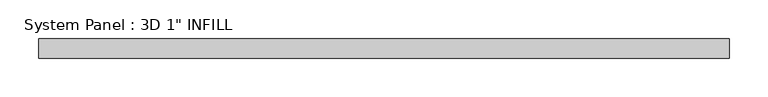
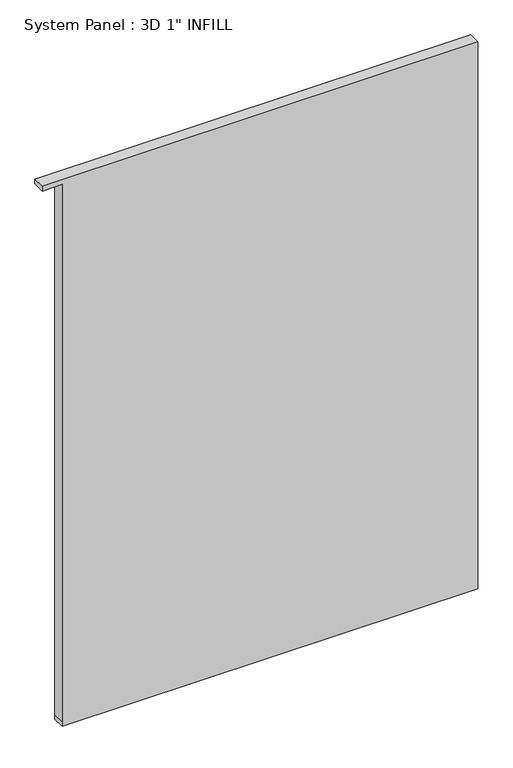
"""IFC4 building model written with IfcOpenShell, lengths in millimetres: plate geometry."""

import ifcopenshell
import ifcopenshell.guid

model = None  # the IFC model being written
_history = None  # IfcOwnerHistory: only IFC2X3 demands one
_inside = {}  # id of a spatial element -> (the spatial element, [elements in it])
_under = {}  # id of a project, library or spatial element -> (it, [spatial elements below it])
_declared = {}  # id of a project -> (the project, [libraries it declares])
_typed = {}  # id of a type object -> (the type object, [elements of that type])
_made_of = {}  # id of a material, layer set ... -> (it, [elements and type objects made of it])


def new_model(schema):
    """Start an empty IFC model of exactly this schema.

    Asked for "IFC4X3", IfcOpenShell would pick the latest addendum, in which some entities
    have other attributes; the version numbers below select the first issue.
    IFC2X3 requires an IfcOwnerHistory on every rooted entity: one is made here for all.
    """
    global model, _history
    if schema == "IFC4X3":
        model = ifcopenshell.file(schema_version=(4, 3, 0, 0))
    else:
        model = ifcopenshell.file(schema=schema)
    _inside.clear()
    _under.clear()
    _declared.clear()
    _typed.clear()
    _made_of.clear()
    _history = None
    if model.schema == "IFC2X3":
        org = make("IfcOrganization", Name="unknown")
        user = make(
            "IfcPersonAndOrganization",
            ThePerson=make("IfcPerson", FamilyName="unknown"),
            TheOrganization=org,
        )
        app = make(
            "IfcApplication",
            ApplicationDeveloper=org,
            Version="unknown",
            ApplicationFullName="unknown",
            ApplicationIdentifier="unknown",
        )
        _history = make(
            "IfcOwnerHistory",
            OwningUser=user,
            OwningApplication=app,
            ChangeAction="ADDED",
            CreationDate=0,
        )
    return model


def make(cls, **values):
    """One entity of the class cls with the attributes given. An attribute that is None is left unset."""
    return model.create_entity(
        cls, **{name: value for name, value in values.items() if value is not None}
    )


def rooted(cls, **values):
    """An entity with a GlobalId (a new one), such as an element, a storey or a relation."""
    return make(cls, GlobalId=ifcopenshell.guid.new(), OwnerHistory=_history, **values)


def si_unit(unit_type, name, prefix=None):
    """IfcSIUnit, for example si_unit("LENGTHUNIT", "METRE", prefix="MILLI")."""
    return make("IfcSIUnit", UnitType=unit_type, Prefix=prefix, Name=name)


def assignment(units):
    """IfcUnitAssignment: the units of a project."""
    return None if units is None else make("IfcUnitAssignment", Units=units)


def point(xyz):
    """IfcCartesianPoint."""
    return None if xyz is None else make("IfcCartesianPoint", Coordinates=xyz)


def direction(xyz):
    """IfcDirection."""
    return None if xyz is None else make("IfcDirection", DirectionRatios=xyz)


def frame(location, z_axis=None, x_axis=None):
    """IfcAxis2Placement3D, a coordinate frame: its origin and axes. An axis left out is left unset."""
    return make(
        "IfcAxis2Placement3D",
        Location=point(location),
        Axis=direction(z_axis),
        RefDirection=direction(x_axis),
    )


def origin():
    """The frame at (0, 0, 0) with its axes left unset."""
    return frame((0.0, 0.0, 0.0))


def place(relative_to, where):
    """IfcLocalPlacement: puts the frame where relative to a parent placement (None: the world)."""
    return make(
        "IfcLocalPlacement", PlacementRelTo=relative_to, RelativePlacement=where
    )


def context(
    kind, dimensions, precision=None, world=None, true_north=None, identifier=None
):
    """IfcGeometricRepresentationContext, for example the 3D "Model" context."""
    return make(
        "IfcGeometricRepresentationContext",
        ContextIdentifier=identifier,
        ContextType=kind,
        CoordinateSpaceDimension=dimensions,
        Precision=precision,
        WorldCoordinateSystem=world,
        TrueNorth=true_north,
    )


def project(units=None, contexts=None):
    """IfcProject with its units and contexts."""
    return rooted(
        "IfcProject",
        Name="project",
        RepresentationContexts=contexts,
        UnitsInContext=assignment(units),
    )


def spatial(cls, under=None, at=None, **own):
    """A site, building, storey or space (cls), placed at a placement, below another one or the project."""
    s = rooted(cls, ObjectPlacement=at, **own)
    if under is not None:
        _under.setdefault(under.id(), (under, []))[1].append(s)
    return s


def polyline(points):
    """IfcPolyline through the points."""
    return make("IfcPolyline", Points=[point(p) for p in points])


def outline(outer, holes=None, kind="AREA"):
    """IfcArbitraryClosedProfileDef: a profile drawn as a closed curve; with holes, ...WithVoids."""
    if holes is None:
        return make("IfcArbitraryClosedProfileDef", ProfileType=kind, OuterCurve=outer)
    return make(
        "IfcArbitraryProfileDefWithVoids",
        ProfileType=kind,
        OuterCurve=outer,
        InnerCurves=holes,
    )


def extrude(swept, where, along, depth):
    """IfcExtrudedAreaSolid: the profile swept, set in the frame where, extruded along a direction by depth."""
    return make(
        "IfcExtrudedAreaSolid",
        SweptArea=swept,
        Position=where,
        ExtrudedDirection=direction(along),
        Depth=depth,
    )


def shape(context_of_items, identifier, shape_type, items):
    """IfcShapeRepresentation: the items that make up one representation, for example the "Body"."""
    return make(
        "IfcShapeRepresentation",
        ContextOfItems=context_of_items,
        RepresentationIdentifier=identifier,
        RepresentationType=shape_type,
        Items=items,
    )


def source(mapping_origin, context_of_items, identifier, shape_type, items):
    """IfcRepresentationMap: a shape defined once, which mapped items show again and again."""
    return make(
        "IfcRepresentationMap",
        MappingOrigin=mapping_origin,
        MappedRepresentation=shape(context_of_items, identifier, shape_type, items),
    )


def transform(
    local_origin,
    x_axis=None,
    y_axis=None,
    z_axis=None,
    scale=None,
    scale2=None,
    scale3=None,
    uniform=True,
):
    """IfcCartesianTransformationOperator3D, or its non-uniform kind. x_axis, y_axis, z_axis: its Axis1, 2, 3."""
    if uniform:
        return make(
            "IfcCartesianTransformationOperator3D",
            Axis1=direction(x_axis),
            Axis2=direction(y_axis),
            LocalOrigin=point(local_origin),
            Scale=scale,
            Axis3=direction(z_axis),
        )
    return make(
        "IfcCartesianTransformationOperator3DnonUniform",
        Axis1=direction(x_axis),
        Axis2=direction(y_axis),
        LocalOrigin=point(local_origin),
        Scale=scale,
        Axis3=direction(z_axis),
        Scale2=scale2,
        Scale3=scale3,
    )


def mapped(mapping_source, mapping_target):
    """IfcMappedItem: shows the shape of a source again, moved by a transform."""
    return make(
        "IfcMappedItem", MappingSource=mapping_source, MappingTarget=mapping_target
    )


def made_of(thing, what):
    """Note that an element or type object is made of a material, layer set ...; save() writes the relation."""
    if what is not None:
        _made_of.setdefault(what.id(), (what, []))[1].append(thing)
    return thing


def element(
    cls,
    number,
    at=None,
    inside=None,
    cuts=None,
    type_object=None,
    material=None,
    context=None,
    identifier="Body",
    shape_type=None,
    held_by="IfcProductDefinitionShape",
    body=None,
    shapes=None,
    **own,
):
    """One element of the class cls, such as IfcWall. Its Tag is "e" and its number.

    at: its placement. inside: the storey or other place that contains it. cuts: it is an
    opening in that element (IfcRelVoidsElement). A single representation is given by context,
    identifier, shape_type and body (its items); several are given by shapes. held_by: the class
    of the entity that holds the representations. save() writes the other relations.
    """
    e = rooted(cls, Tag="e%d" % number, ObjectPlacement=at, **own)
    if body is not None:
        shapes = [shape(context, identifier, shape_type, body)]
    if shapes is not None:
        e.Representation = make(held_by, Representations=shapes)
    if inside is not None:
        _inside.setdefault(inside.id(), (inside, []))[1].append(e)
    if cuts is not None:
        rooted(
            "IfcRelVoidsElement", RelatingBuildingElement=cuts, RelatedOpeningElement=e
        )
    if type_object is not None:
        _typed.setdefault(type_object.id(), (type_object, []))[1].append(e)
    return made_of(e, material)


def aggregate(whole, parts):
    """IfcRelAggregates: a whole, such as a stair, and the parts it consists of."""
    return rooted("IfcRelAggregates", RelatingObject=whole, RelatedObjects=parts)


def save(model, path):
    """Write the relations noted so far, then the file.

    IfcRelAggregates (storeys below a building ...), IfcRelContainedInSpatialStructure (elements
    in a storey), IfcRelDefinesByType, IfcRelAssociatesMaterial and IfcRelDeclares: one each for
    every whole, place, type object, material and project.
    """
    for whole, parts in _under.values():
        aggregate(whole, parts)
    for where, things in _inside.values():
        rooted(
            "IfcRelContainedInSpatialStructure",
            RelatedElements=things,
            RelatingStructure=where,
        )
    for kind, things in _typed.values():
        rooted("IfcRelDefinesByType", RelatedObjects=things, RelatingType=kind)
    for what, things in _made_of.values():
        rooted("IfcRelAssociatesMaterial", RelatedObjects=things, RelatingMaterial=what)
    for by, libraries in _declared.values():
        rooted("IfcRelDeclares", RelatingContext=by, RelatedDefinitions=libraries)
    model.write(path)


def plate_3b03f885(model_context):
    return source(origin(), model_context, "Body", "SweptSolid", [
        extrude(outline(polyline([(0.0, -406.9490178), (0.0, 448.2240178), (10.4595854, 448.2240178), (1178.8595854, 448.2240178), (1189.2656556, 448.2240178), (1189.2656556, -448.2240178), (1178.8595854, -448.2240178), (1178.8595854, -406.9490178), (10.4595854, -406.9490178), (0.0, -406.9490178)])), frame((0.0, -12.7, 0.0), z_axis=(0.0, 1.0, 0.0), x_axis=(0.0, 0.0, 1.0)), (0.0, 0.0, 1.0), 25.4),
    ])


if __name__ == "__main__":
    model = new_model("IFC4")
    model_context = context("Model", 3, world=origin())
    ifc_project = project(units=[si_unit("LENGTHUNIT", "METRE", prefix="MILLI")], contexts=[model_context])
    site = spatial("IfcSite", under=ifc_project)
    building = spatial("IfcBuilding", under=site)
    placement = place(None, origin())
    plate_shape = plate_3b03f885(model_context)
    element("IfcPlate", 1, ObjectType="System Panel : 3D 1\" INFILL", at=placement, inside=building, context=model_context, shape_type="MappedRepresentation", body=[
        mapped(plate_shape, transform((0.0, 0.0, 0.0), x_axis=(1.0, 0.0, 0.0), y_axis=(0.0, 1.0, 0.0), z_axis=(0.0, 0.0, 1.0))),
    ])
    save(model, "model.ifc")
